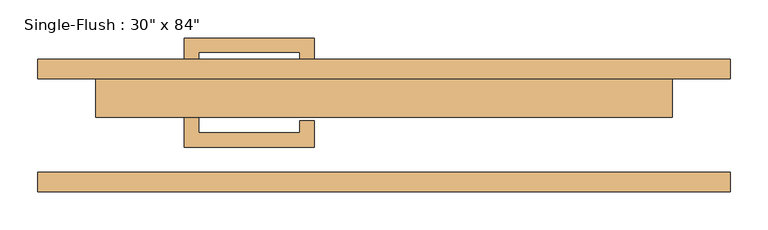
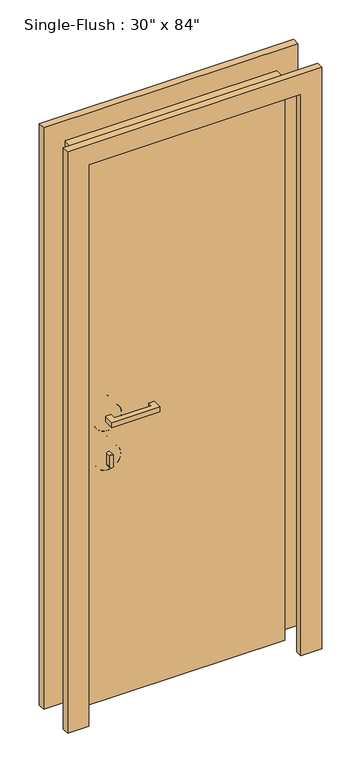
"""IFC4 building model written with IfcOpenShell, lengths in millimetres: door geometry."""

from ifc_helpers import new_model, si_unit, point, frame, frame_2d, origin, origin_with_axes, place, context, project, spatial, polyline, circle_curve, ellipse_curve, trimmed, segment, composite_curve, outline, extrude, source, transform, mapped, element, save
from ifc_brep_helpers import plane_surface, cylinder_surface, revolved_surface, advanced_brep


def door_9173b595(model_context):
    return source(origin(), model_context, "Body", "SolidModel", [
        extrude(outline(polyline([(-244.475, 12.7), (-244.475, -9.525), (-111.125, -9.525), (-111.125, 6.35), (-92.075, 6.35), (-92.075, -28.575), (-263.525, -28.575), (-263.525, 12.7), (-244.475, 12.7)])), frame((0.0, 0.0, 1057.275), z_axis=(0.0, 0.0, 1.0), x_axis=(1.0, 0.0, 0.0)), (0.0, 0.0, 1.0), 19.05),
        extrude(outline(composite_curve([segment(trimmed(circle_curve(frame_2d((895.35, -254.0)), 6.35), [point((895.35, -260.35))], [point((895.35, -247.65))], False, "CARTESIAN"), True, "CONTINUOUS"), segment(polyline([(895.35, -247.65), (933.45, -247.65)]), True, "CONTINUOUS"), segment(trimmed(circle_curve(frame_2d((933.45, -254.0)), 6.35), [point((933.45, -247.65))], [point((933.45, -260.35))], False, "CARTESIAN"), True, "CONTINUOUS"), segment(polyline([(933.45, -260.35), (895.35, -260.35)]), True, "CONTINUOUS")], self_intersect=False)), frame((0.0, -9.525, 0.0), z_axis=(0.0, 1.0, 0.0), x_axis=(0.0, 0.0, 1.0)), (0.0, 0.0, 1.0), 22.225),
        advanced_brep(
        [(-206.375, 15.875, 914.4), (-206.375, 25.4, 914.4), (-301.625, 25.4, 914.4), (-301.625, 15.875, 914.4), (-209.55, 12.7, 914.4), (-298.45, 12.7, 914.4), (-254.0, 12.7, 914.4), (-254.0, 25.4, 914.4)],
        [
            (0, 1),
            (1, 2, circle_curve(frame((-254.0, 25.4, 914.4), z_axis=(0.0, -1.0, 0.0), x_axis=(-1.0, 0.0, 0.0)), 47.625)),
            (2, 3),
            (3, 0, circle_curve(frame((-254.0, 15.875, 914.4), z_axis=(0.0, 1.0, 0.0), x_axis=(-1.0, 0.0, 0.0)), 47.625)),
            (2, 1, circle_curve(frame((-254.0, 25.4, 914.4), z_axis=(0.0, -1.0, 0.0), x_axis=(-1.0, 0.0, 0.0)), 47.625)),
            (0, 3, circle_curve(frame((-254.0, 15.875, 914.4), z_axis=(0.0, 1.0, 0.0), x_axis=(-1.0, 0.0, 0.0)), 47.625)),
            (4, 0, circle_curve(frame((-209.55, 15.875, 914.4), z_axis=(0.0, 0.0, 1.0), x_axis=(-1.0, 0.0, 0.0)), 3.175)),
            (3, 5, circle_curve(frame((-298.45, 15.875, 914.4), z_axis=(0.0, 0.0, 1.0), x_axis=(1.0, 0.0, 0.0)), 3.175)),
            (5, 4, circle_curve(frame((-254.0, 12.7, 914.4), z_axis=(0.0, 1.0, 0.0), x_axis=(-1.0, 0.0, 0.0)), 44.45)),
            (4, 5, circle_curve(frame((-254.0, 12.7, 914.4), z_axis=(0.0, 1.0, 0.0), x_axis=(-1.0, 0.0, 0.0)), 44.45)),
            (6, 4),
            (5, 6),
            (1, 7),
            (7, 2),
        ],
        [
            cylinder_surface(frame((-254.0, 152.4, 914.4), z_axis=(0.0, -1.0, 0.0), x_axis=(-1.0, 0.0, 0.0)), 47.625),
            revolved_surface(trimmed(ellipse_curve(frame((-298.45, 15.875, 914.4), z_axis=(0.0, 0.0, 1.0), x_axis=(1.0, 0.0, 0.0)), 3.175, 3.175), [point((-301.625, 15.875, 914.4))], [point((-298.45, 12.7, 914.4))], True, "CARTESIAN"), (-254.0, 152.4, 914.4), (0.0, -1.0, 0.0)),
            plane_surface(frame((-254.0, 12.7, 914.4), z_axis=(0.0, -1.0, 0.0), x_axis=(-1.0, 0.0, 0.0))),
            plane_surface(frame((-254.0, 25.4, 914.4), z_axis=(0.0, 1.0, 0.0), x_axis=(-1.0, 0.0, 0.0))),
        ],
        [
            (0, [[1, 2, 3, 4]]),
            (0, [[-3, 5, -1, 6]]),
            (1, [[7, -4, 8, 9]]),
            (1, [[-8, -6, -7, 10]]),
            (2, [[11, -9, 12]]),
            (2, [[-12, -10, -11]]),
            (3, [[13, 14, -2]]),
            (3, [[-14, -13, -5]]),
        ],
    ),
        advanced_brep(
        [(-203.2, 15.875, 1066.8), (-203.2, 25.4, 1066.8), (-304.8, 25.4, 1066.8), (-304.8, 15.875, 1066.8), (-206.375, 12.7, 1066.8), (-301.625, 12.7, 1066.8), (-254.0, 12.7, 1066.8), (-254.0, 25.4, 1066.8)],
        [
            (0, 1),
            (1, 2, circle_curve(frame((-254.0, 25.4, 1066.8), z_axis=(0.0, -1.0, 0.0), x_axis=(-1.0, 0.0, 0.0)), 50.8)),
            (2, 3),
            (3, 0, circle_curve(frame((-254.0, 15.875, 1066.8), z_axis=(0.0, 1.0, 0.0), x_axis=(-1.0, 0.0, 0.0)), 50.8)),
            (2, 1, circle_curve(frame((-254.0, 25.4, 1066.8), z_axis=(0.0, -1.0, 0.0), x_axis=(-1.0, 0.0, 0.0)), 50.8)),
            (0, 3, circle_curve(frame((-254.0, 15.875, 1066.8), z_axis=(0.0, 1.0, 0.0), x_axis=(-1.0, 0.0, 0.0)), 50.8)),
            (4, 0, circle_curve(frame((-206.375, 15.875, 1066.8), z_axis=(0.0, 0.0, 1.0), x_axis=(-1.0, 0.0, 0.0)), 3.175)),
            (3, 5, circle_curve(frame((-301.625, 15.875, 1066.8), z_axis=(0.0, 0.0, 1.0), x_axis=(1.0, 0.0, 0.0)), 3.175)),
            (5, 4, circle_curve(frame((-254.0, 12.7, 1066.8), z_axis=(0.0, 1.0, 0.0), x_axis=(-1.0, 0.0, 0.0)), 47.625)),
            (4, 5, circle_curve(frame((-254.0, 12.7, 1066.8), z_axis=(0.0, 1.0, 0.0), x_axis=(-1.0, 0.0, 0.0)), 47.625)),
            (6, 4),
            (5, 6),
            (1, 7),
            (7, 2),
        ],
        [
            cylinder_surface(frame((-254.0, 152.4, 1066.8), z_axis=(0.0, -1.0, 0.0), x_axis=(-1.0, 0.0, 0.0)), 50.8),
            revolved_surface(trimmed(ellipse_curve(frame((-301.625, 15.875, 1066.8), z_axis=(0.0, 0.0, 1.0), x_axis=(1.0, 0.0, 0.0)), 3.175, 3.175), [point((-304.8, 15.875, 1066.8))], [point((-301.625, 12.7, 1066.8))], True, "CARTESIAN"), (-254.0, 152.4, 1066.8), (0.0, -1.0, 0.0)),
            plane_surface(frame((-254.0, 12.7, 1066.8), z_axis=(0.0, -1.0, 0.0), x_axis=(-1.0, 0.0, 0.0))),
            plane_surface(frame((-254.0, 25.4, 1066.8), z_axis=(0.0, 1.0, 0.0), x_axis=(-1.0, 0.0, 0.0))),
        ],
        [
            (0, [[1, 2, 3, 4]]),
            (0, [[-3, 5, -1, 6]]),
            (1, [[7, -4, 8, 9]]),
            (1, [[-8, -6, -7, 10]]),
            (2, [[11, -9, 12]]),
            (2, [[-12, -10, -11]]),
            (3, [[13, 14, -2]]),
            (3, [[-14, -13, -5]]),
        ],
    ),
        extrude(outline(polyline([(-244.475, 74.6125), (-263.525, 74.6125), (-263.525, 115.8875), (-92.075, 115.8875), (-92.075, 80.9625), (-111.125, 80.9625), (-111.125, 96.8375), (-244.475, 96.8375), (-244.475, 74.6125)])), frame((0.0, 0.0, 1057.275), z_axis=(0.0, 0.0, 1.0), x_axis=(1.0, 0.0, 0.0)), (0.0, 0.0, 1.0), 19.05),
        extrude(outline(composite_curve([segment(trimmed(circle_curve(frame_2d((895.35, -254.0)), 6.35), [point((895.35, -260.35))], [point((895.35, -247.65))], False, "CARTESIAN"), True, "CONTINUOUS"), segment(polyline([(895.35, -247.65), (933.45, -247.65)]), True, "CONTINUOUS"), segment(trimmed(circle_curve(frame_2d((933.45, -254.0)), 6.35), [point((933.45, -247.65))], [point((933.45, -260.35))], False, "CARTESIAN"), True, "CONTINUOUS"), segment(polyline([(933.45, -260.35), (895.35, -260.35)]), True, "CONTINUOUS")], self_intersect=False)), frame((0.0, 74.6125, 0.0), z_axis=(0.0, 1.0, 0.0), x_axis=(0.0, 0.0, 1.0)), (0.0, 0.0, 1.0), 22.225),
        advanced_brep(
        [(-206.375, 71.4375, 914.4), (-301.625, 71.4375, 914.4), (-301.625, 61.9125, 914.4), (-206.375, 61.9125, 914.4), (-209.55, 74.6125, 914.4), (-298.45, 74.6125, 914.4), (-254.0, 74.6125, 914.4), (-254.0, 61.9125, 914.4)],
        [
            (0, 1, circle_curve(frame((-254.0, 71.4375, 914.4), z_axis=(0.0, -1.0, 0.0), x_axis=(-1.0, 0.0, 0.0)), 47.625)),
            (1, 2),
            (2, 3, circle_curve(frame((-254.0, 61.9125, 914.4), z_axis=(0.0, 1.0, 0.0), x_axis=(-1.0, 0.0, 0.0)), 47.625)),
            (3, 0),
            (1, 0, circle_curve(frame((-254.0, 71.4375, 914.4), z_axis=(0.0, -1.0, 0.0), x_axis=(-1.0, 0.0, 0.0)), 47.625)),
            (3, 2, circle_curve(frame((-254.0, 61.9125, 914.4), z_axis=(0.0, 1.0, 0.0), x_axis=(-1.0, 0.0, 0.0)), 47.625)),
            (4, 5, circle_curve(frame((-254.0, 74.6125, 914.4), z_axis=(0.0, -1.0, 0.0), x_axis=(-1.0, 0.0, 0.0)), 44.45)),
            (5, 1, circle_curve(frame((-298.45, 71.4375, 914.4), z_axis=(0.0, 0.0, 1.0), x_axis=(1.0, 0.0, 0.0)), 3.175)),
            (0, 4, circle_curve(frame((-209.55, 71.4375, 914.4), z_axis=(0.0, 0.0, 1.0), x_axis=(-1.0, 0.0, 0.0)), 3.175)),
            (5, 4, circle_curve(frame((-254.0, 74.6125, 914.4), z_axis=(0.0, -1.0, 0.0), x_axis=(-1.0, 0.0, 0.0)), 44.45)),
            (6, 5),
            (4, 6),
            (2, 7),
            (7, 3),
        ],
        [
            cylinder_surface(frame((-254.0, -65.0875, 914.4), z_axis=(0.0, 1.0, 0.0), x_axis=(-1.0, 0.0, 0.0)), 47.625),
            revolved_surface(trimmed(ellipse_curve(frame((-298.45, 71.4375, 914.4), z_axis=(0.0, 0.0, -1.0), x_axis=(1.0, 0.0, 0.0)), 3.175, 3.175), [point((-301.625, 71.4375, 914.4))], [point((-298.45, 74.6125, 914.4))], True, "CARTESIAN"), (-254.0, -65.0875, 914.4), (0.0, 1.0, 0.0)),
            plane_surface(frame((-254.0, 74.6125, 914.4), z_axis=(0.0, 1.0, 0.0), x_axis=(-1.0, 0.0, 0.0))),
            plane_surface(frame((-254.0, 61.9125, 914.4), z_axis=(0.0, -1.0, 0.0), x_axis=(-1.0, 0.0, 0.0))),
        ],
        [
            (0, [[1, 2, 3, 4]]),
            (0, [[5, -4, 6, -2]]),
            (1, [[7, 8, -1, 9]]),
            (1, [[10, -9, -5, -8]]),
            (2, [[11, -7, 12]]),
            (2, [[-12, -10, -11]]),
            (3, [[-3, 13, 14]]),
            (3, [[-6, -14, -13]]),
        ],
    ),
        advanced_brep(
        [(-203.2, 71.4375, 1066.8), (-304.8, 71.4375, 1066.8), (-304.8, 61.9125, 1066.8), (-203.2, 61.9125, 1066.8), (-206.375, 74.6125, 1066.8), (-301.625, 74.6125, 1066.8), (-254.0, 74.6125, 1066.8), (-254.0, 61.9125, 1066.8)],
        [
            (0, 1, circle_curve(frame((-254.0, 71.4375, 1066.8), z_axis=(0.0, -1.0, 0.0), x_axis=(-1.0, 0.0, 0.0)), 50.8)),
            (1, 2),
            (2, 3, circle_curve(frame((-254.0, 61.9125, 1066.8), z_axis=(0.0, 1.0, 0.0), x_axis=(-1.0, 0.0, 0.0)), 50.8)),
            (3, 0),
            (1, 0, circle_curve(frame((-254.0, 71.4375, 1066.8), z_axis=(0.0, -1.0, 0.0), x_axis=(-1.0, 0.0, 0.0)), 50.8)),
            (3, 2, circle_curve(frame((-254.0, 61.9125, 1066.8), z_axis=(0.0, 1.0, 0.0), x_axis=(-1.0, 0.0, 0.0)), 50.8)),
            (4, 5, circle_curve(frame((-254.0, 74.6125, 1066.8), z_axis=(0.0, -1.0, 0.0), x_axis=(-1.0, 0.0, 0.0)), 47.625)),
            (5, 1, circle_curve(frame((-301.625, 71.4375, 1066.8), z_axis=(0.0, 0.0, 1.0), x_axis=(1.0, 0.0, 0.0)), 3.175)),
            (0, 4, circle_curve(frame((-206.375, 71.4375, 1066.8), z_axis=(0.0, 0.0, 1.0), x_axis=(-1.0, 0.0, 0.0)), 3.175)),
            (5, 4, circle_curve(frame((-254.0, 74.6125, 1066.8), z_axis=(0.0, -1.0, 0.0), x_axis=(-1.0, 0.0, 0.0)), 47.625)),
            (6, 5),
            (4, 6),
            (2, 7),
            (7, 3),
        ],
        [
            cylinder_surface(frame((-254.0, -65.0875, 1066.8), z_axis=(0.0, 1.0, 0.0), x_axis=(-1.0, 0.0, 0.0)), 50.8),
            revolved_surface(trimmed(ellipse_curve(frame((-301.625, 71.4375, 1066.8), z_axis=(0.0, 0.0, -1.0), x_axis=(1.0, 0.0, 0.0)), 3.175, 3.175), [point((-304.8, 71.4375, 1066.8))], [point((-301.625, 74.6125, 1066.8))], True, "CARTESIAN"), (-254.0, -65.0875, 1066.8), (0.0, 1.0, 0.0)),
            plane_surface(frame((-254.0, 74.6125, 1066.8), z_axis=(0.0, 1.0, 0.0), x_axis=(-1.0, 0.0, 0.0))),
            plane_surface(frame((-254.0, 61.9125, 1066.8), z_axis=(0.0, -1.0, 0.0), x_axis=(-1.0, 0.0, 0.0))),
        ],
        [
            (0, [[1, 2, 3, 4]]),
            (0, [[5, -4, 6, -2]]),
            (1, [[7, 8, -1, 9]]),
            (1, [[10, -9, -5, -8]]),
            (2, [[11, -7, 12]]),
            (2, [[-12, -10, -11]]),
            (3, [[-3, 13, 14]]),
            (3, [[-6, -14, -13]]),
        ],
    ),
        extrude(outline(polyline([(2209.8, -457.2), (0.0, -457.2), (0.0, -381.0), (2133.6, -381.0), (2133.6, 381.0), (0.0, 381.0), (0.0, 457.2), (2209.8, 457.2), (2209.8, -457.2)])), frame((0.0, 61.9125, 0.0), z_axis=(0.0, 1.0, 0.0), x_axis=(0.0, 0.0, 1.0)), (0.0, 0.0, 1.0), 25.4),
        extrude(outline(polyline([(2209.8, 457.2), (2209.8, -457.2), (0.0, -457.2), (0.0, -381.0), (2133.6, -381.0), (2133.6, 381.0), (0.0, 381.0), (0.0, 457.2), (2209.8, 457.2)])), frame((0.0, -87.3125, 0.0), z_axis=(0.0, 1.0, 0.0), x_axis=(0.0, 0.0, 1.0)), (0.0, 0.0, 1.0), 25.4),
        extrude(outline(polyline([(381.0, 11.1125), (-381.0, 11.1125), (-381.0, 61.9125), (381.0, 61.9125), (381.0, 11.1125)])), origin_with_axes(), (0.0, 0.0, 1.0), 2133.6),
    ])


if __name__ == "__main__":
    model = new_model("IFC4")
    model_context = context("Model", 3, world=origin())
    ifc_project = project(units=[si_unit("LENGTHUNIT", "METRE", prefix="MILLI")], contexts=[model_context])
    site = spatial("IfcSite", under=ifc_project)
    building = spatial("IfcBuilding", under=site)
    placement = place(None, origin())
    door_shape = door_9173b595(model_context)
    element("IfcDoor", 1, ObjectType="Single-Flush : 30\" x 84\"", at=placement, inside=building, context=model_context, shape_type="MappedRepresentation", body=[
        mapped(door_shape, transform((0.0, 0.0, 0.0), x_axis=(1.0, 0.0, 0.0), y_axis=(0.0, 1.0, 0.0), z_axis=(0.0, 0.0, 1.0))),
    ])
    save(model, "model.ifc")
